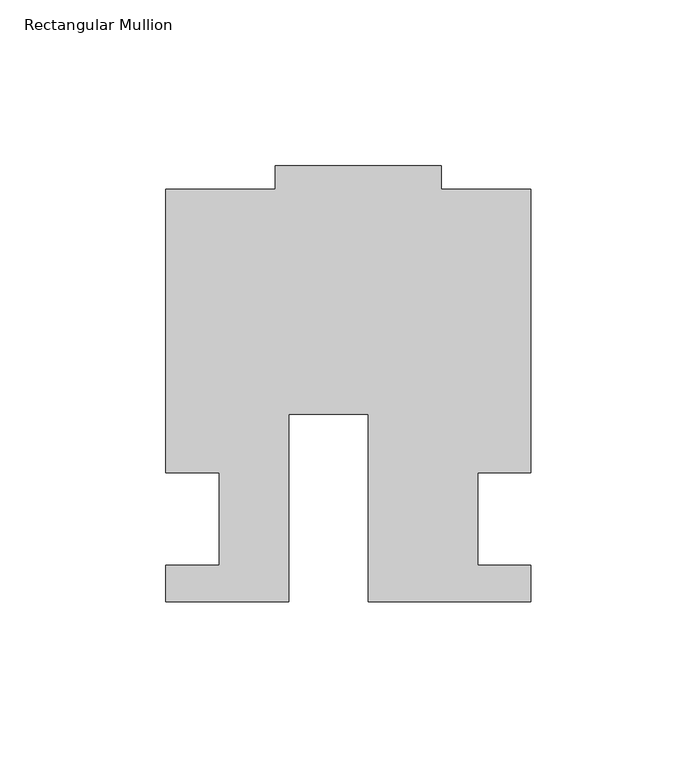
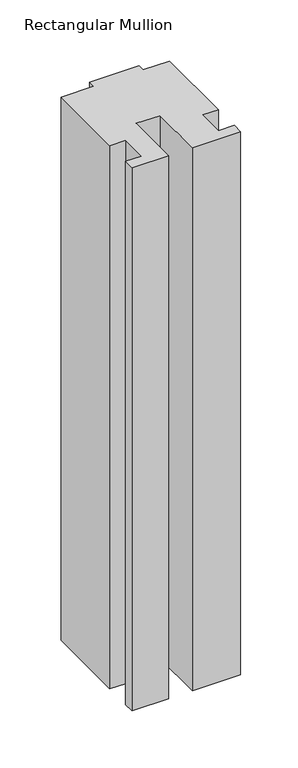
"""IFC4 building model written with IfcOpenShell, lengths in millimetres: member geometry, Rectangular Mullion."""

from ifc_helpers import new_model, si_unit, frame, origin, place, context, project, spatial, polyline, outline, extrude, source, transform, mapped, element, save


def rectangular_mullion_aeceabba(model_context):
    return source(origin(), model_context, "Body", "SweptSolid", [
        extrude(outline(polyline([(-24.0309529, -25.0), (-61.0409135, -25.0), (-61.0409135, -14.0), (-44.9971154, -14.0), (-44.9971154, 14.0), (-60.9971154, 14.0), (-60.9971154, 99.4999439), (-27.9971154, 99.4999439), (-27.9971154, 106.5), (22.0028846, 106.5), (22.0028846, 99.5), (49.0, 99.5), (49.0, 14.0), (32.9971154, 14.0), (32.9971154, -14.0), (49.0, -14.0), (49.0, -25.0), (0.0, -25.0), (0.0, 31.6008577), (-24.0309529, 31.6008577), (-24.0309529, -25.0)])), frame((0.0, 0.0, -580.7727593), z_axis=(0.0, 0.0, 1.0), x_axis=(1.0, 0.0, 0.0)), (0.0, 0.0, 1.0), 580.7727593),
    ])


if __name__ == "__main__":
    model = new_model("IFC4")
    model_context = context("Model", 3, world=origin())
    ifc_project = project(units=[si_unit("LENGTHUNIT", "METRE", prefix="MILLI")], contexts=[model_context])
    site = spatial("IfcSite", under=ifc_project)
    building = spatial("IfcBuilding", under=site)
    placement = place(None, origin())
    rectangular_mullion_shape = rectangular_mullion_aeceabba(model_context)
    element("IfcMember", 1, ObjectType="Rectangular Mullion", at=placement, inside=building, context=model_context, shape_type="MappedRepresentation", body=[
        mapped(rectangular_mullion_shape, transform((0.0, 0.0, 0.0), x_axis=(1.0, 0.0, 0.0), y_axis=(0.0, 1.0, 0.0), z_axis=(0.0, 0.0, 1.0))),
    ])
    save(model, "model.ifc")
